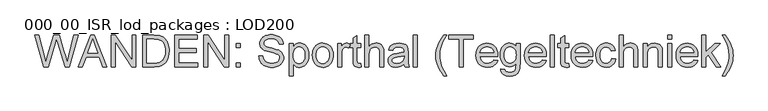
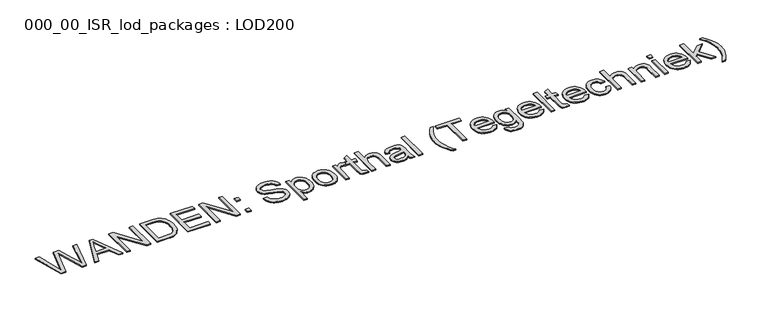
"""IFC4 building model written with IfcOpenShell, lengths in millimetres: proxy geometry, 000_00_ISR_lod_packages : LOD200."""

from ifc_helpers import new_model, si_unit, origin, origin_with_axes, place, context, project, spatial, polyline, outline, extrude, source, transform, mapped, element, save


def proxy_000_00_isr_lod_packages_lod200_2282efd7(model_context):
    return source(origin(), model_context, "Body", "SweptSolid", [
        extrude(outline(polyline([(725.9109848, 500.0), (512.2424242, 1283.5151515), (613.2424242, 1283.5151515), (737.1969697, 768.5681818), (775.4545455, 609.6079545), (816.3901515, 750.2045455), (971.7159091, 1283.5151515), (1117.2859848, 1283.5151515), (1230.1458333, 896.9223485), (1278.4938447, 753.4564394), (1314.1212121, 609.6079545), (1351.2310606, 763.9772727), (1476.3333333, 1283.5151515), (1577.3333333, 1283.5151515), (1363.4734848, 500.0), (1258.8390152, 500.0), (1070.9943182, 1104.469697), (1044.7878788, 1188.8276515), (1015.3295455, 1087.2537879), (844.1268939, 500.0), (725.9109848, 500.0)])), origin_with_axes(), (0.0, 0.0, 1.0), 25.0),
        extrude(outline(polyline([(1584.0284091, 500.0), (1896.7840909, 1283.5151515), (1980.1856061, 1283.5151515), (2292.9412879, 500.0), (2189.4545455, 500.0), (2099.7405303, 744.8484848), (1777.0378788, 744.8484848), (1687.5151515, 500.0), (1584.0284091, 500.0)]), holes=[polyline([(1813.0, 842.7878788), (2063.969697, 842.7878788), (1993.3844697, 1035.4147727), (1938.4848485, 1185.5757576), (1889.7064394, 1052.2481061), (1813.0, 842.7878788)])]), origin_with_axes(), (0.0, 0.0, 1.0), 25.0),
        extrude(outline(polyline([(2397.5757576, 500.0), (2397.5757576, 1283.5151515), (2502.4015152, 1283.5151515), (2911.7575758, 662.7859848), (2911.7575758, 1283.5151515), (3009.6969697, 1283.5151515), (3009.6969697, 500.0), (2904.8712121, 500.0), (2495.5151515, 1120.9204545), (2495.5151515, 500.0), (2397.5757576, 500.0)])), origin_with_axes(), (0.0, 0.0, 1.0), 25.0),
        extrude(outline(polyline([(3181.0909091, 500.0), (3181.0909091, 1283.5151515), (3451.3806818, 1283.5151515), (3532.1519886, 1280.6936553), (3591.2121212, 1272.2291667), (3623.6593277, 1262.9158381), (3653.6676136, 1250.4701705), (3681.2369792, 1234.8921638), (3706.3674242, 1216.1818182), (3735.4073153, 1188.1581439), (3760.5497159, 1156.5), (3781.7946259, 1121.2073864), (3799.1420455, 1082.280303), (3812.6158854, 1040.0774148), (3822.2400568, 994.9573864), (3828.0145597, 946.9202178), (3829.9393939, 895.9659091), (3824.7267992, 811.8709754), (3809.0890152, 737.8664773), (3785.2736742, 674.8610322), (3755.5284091, 623.7632576), (3721.2878788, 583.4254261), (3683.9867424, 552.6998106), (3641.1621686, 529.912642), (3590.3513258, 513.3901515), (3531.4585701, 503.3475379), (3464.3882576, 500.0), (3181.0909091, 500.0)]), holes=[polyline([(3279.030303, 597.9393939), (3452.3371212, 597.9393939), (3524.0222538, 601.4782197), (3578.3958333, 612.094697), (3619.4270833, 629.1671402), (3651.0852273, 652.0738636), (3669.1559541, 671.7107599), (3685.1105587, 694.4680398), (3698.9490412, 720.3457031), (3710.6714015, 749.34375), (3720.0026634, 781.5219579), (3726.6678504, 816.9401042), (3732.0, 897.4962121), (3729.3877249, 954.3565341), (3721.5508996, 1004.2348485), (3708.4895241, 1047.1311553), (3690.2035985, 1083.0454545), (3668.1756037, 1112.7907197), (3643.8880208, 1137.1799242), (3617.3408499, 1156.2130682), (3588.5340909, 1169.8901515), (3563.6427557, 1176.7526042), (3532.1998106, 1181.6543561), (3449.6590909, 1185.5757576), (3279.030303, 1185.5757576), (3279.030303, 597.9393939)])]), origin_with_axes(), (0.0, 0.0, 1.0), 25.0),
        extrude(outline(polyline([(3964.6060606, 500.0), (3964.6060606, 1283.5151515), (4527.7575758, 1283.5151515), (4527.7575758, 1185.5757576), (4062.5454545, 1185.5757576), (4062.5454545, 952.969697), (4503.2727273, 952.969697), (4503.2727273, 855.030303), (4062.5454545, 855.030303), (4062.5454545, 597.9393939), (4540.0, 597.9393939), (4540.0, 500.0), (3964.6060606, 500.0)])), origin_with_axes(), (0.0, 0.0, 1.0), 25.0),
        extrude(outline(polyline([(4686.9090909, 500.0), (4686.9090909, 1283.5151515), (4791.7348485, 1283.5151515), (5201.0909091, 662.7859848), (5201.0909091, 1283.5151515), (5299.030303, 1283.5151515), (5299.030303, 500.0), (5194.2045455, 500.0), (4784.8484848, 1120.9204545), (4784.8484848, 500.0), (4686.9090909, 500.0)])), origin_with_axes(), (0.0, 0.0, 1.0), 25.0),
        extrude(outline(polyline([(5482.6666667, 500.0), (5482.6666667, 597.9393939), (5580.6060606, 597.9393939), (5580.6060606, 500.0), (5482.6666667, 500.0)])), origin_with_axes(), (0.0, 0.0, 1.0), 25.0),
        extrude(outline(polyline([(5482.6666667, 977.4545455), (5482.6666667, 1075.3939394), (5580.6060606, 1075.3939394), (5580.6060606, 977.4545455), (5482.6666667, 977.4545455)])), origin_with_axes(), (0.0, 0.0, 1.0), 25.0),
        extrude(outline(polyline([(6045.8181818, 769.3333333), (6143.7575758, 769.3333333), (6154.9957386, 714.9836648), (6164.0221354, 691.8079427), (6175.3200758, 671.2982955), (6189.4634233, 653.0422585), (6207.0260417, 636.6273674), (6228.0079309, 622.0536222), (6252.4090909, 609.3210227), (6279.3328598, 598.9854995), (6307.8825758, 591.602983), (6369.8598485, 585.6969697), (6424.4247159, 590.1683239), (6472.1988636, 603.5823864), (6510.9107481, 624.8153409), (6526.0165128, 637.9424716), (6538.2888258, 652.7433712), (6554.5722064, 684.8080019), (6560.0, 718.4507576), (6555.9351326, 751.2327178), (6543.7405303, 779.5672348), (6533.4827178, 792.1384351), (6518.96875, 803.7412405), (6477.1723485, 824.0416667), (6425.4528883, 839.4164299), (6334.5672348, 861.438447), (6240.9557292, 886.1863163), (6181.0587121, 909.7386364), (6154.9060724, 925.340554), (6132.304214, 942.6879735), (6113.2531368, 961.7808949), (6097.7528409, 982.6193182), (6085.7435488, 1004.9880445), (6077.165483, 1028.671875), (6072.0186435, 1053.6708097), (6070.3030303, 1079.9848485), (6072.4251302, 1109.1502723), (6078.7914299, 1137.3473011), (6089.4019295, 1164.5759351), (6104.2566288, 1190.8361742), (6123.188151, 1215.0580019), (6146.0291193, 1236.1714015), (6172.7795336, 1254.1763731), (6203.4393939, 1269.0729167), (6236.9745502, 1280.747455), (6272.3508523, 1289.086411), (6309.5683002, 1294.0897846), (6348.6268939, 1295.7575758), (6391.2362689, 1294.0120739), (6431.2632576, 1288.7755682), (6468.7078598, 1280.0480587), (6503.5700758, 1267.8295455), (6535.2043087, 1252.2276278), (6562.9649621, 1233.3499053), (6586.852036, 1211.1963778), (6606.8655303, 1185.7670455), (6622.8500237, 1157.8031487), (6634.6500947, 1128.045928), (6642.2657434, 1096.4953835), (6645.6969697, 1063.1515152), (6547.7575758, 1063.1515152), (6541.2059659, 1094.4031723), (6529.7765152, 1121.5899621), (6513.4692235, 1144.7118845), (6492.2840909, 1163.7689394), (6465.8265862, 1178.665483), (6433.702178, 1189.3058712), (6395.9108665, 1195.6901042), (6352.4526515, 1197.8181818), (6307.6075994, 1195.7140152), (6269.2902462, 1189.4015152), (6237.5005919, 1178.8806818), (6212.2386364, 1164.1515152), (6192.9902936, 1146.4454309), (6179.2414773, 1126.9938447), (6170.9921875, 1105.7967566), (6168.2424242, 1082.8541667), (6170.1911695, 1063.1156487), (6176.0374053, 1045.2182765), (6185.7811316, 1029.1620502), (6199.4223485, 1014.9469697), (6220.8944129, 1001.4850852), (6254.7045455, 987.8797348), (6359.3390152, 960.2386364), (6467.3210227, 933.984375), (6532.6458333, 911.0776515), (6562.6720526, 894.3519176), (6588.477983, 875.545928), (6610.0636245, 854.6596828), (6627.4289773, 831.6931818), (6640.7772846, 806.7659801), (6650.3117898, 779.9976326), (6656.0324929, 751.3881392), (6657.9393939, 720.9375), (6655.7455611, 690.3015507), (6649.1640625, 660.5622633), (6638.1948982, 631.7196378), (6622.8380682, 603.7736742), (6603.362571, 577.8063447), (6580.0374053, 554.8996212), (6552.862571, 535.0535038), (6521.8380682, 518.2679924), (6487.8665365, 504.9196851), (6451.8506155, 495.3851799), (6413.7903054, 489.6644768), (6373.6856061, 487.7575758), (6323.5861151, 489.8139205), (6277.7308239, 495.9829545), (6236.1197325, 506.264678), (6198.7528409, 520.6590909), (6165.4029948, 539.1901042), (6135.8430398, 561.8816288), (6110.0729759, 588.7336648), (6088.092803, 619.7462121), (6070.3867188, 653.9150095), (6057.4389205, 690.2357955), (6049.2494081, 728.7085701), (6045.8181818, 769.3333333)])), origin_with_axes(), (0.0, 0.0, 1.0), 25.0),
        extrude(outline(polyline([(6792.6060606, 279.6363636), (6792.6060606, 1075.3939394), (6890.5454545, 1075.3939394), (6890.5454545, 979.3674242), (6922.4905303, 1026.7350852), (6958.2613636, 1060.5691288), (6978.1074811, 1072.411044), (6999.9621212, 1080.8695549), (7023.8252841, 1085.9446615), (7049.6969697, 1087.6363636), (7083.8538116, 1085.2691761), (7115.9303977, 1078.1676136), (7145.9267282, 1066.3316761), (7173.842803, 1049.7613636), (7199.068892, 1028.8870739), (7220.9952652, 1004.1392045), (7239.6219223, 975.5177557), (7254.9488636, 943.0227273), (7266.9163116, 907.7659801), (7275.4644886, 870.859375), (7280.5933949, 832.3029119), (7282.3030303, 792.0965909), (7280.3722183, 749.1106179), (7274.5797822, 708.336411), (7264.9257221, 669.7739702), (7251.4100379, 633.4232955), (7234.2180398, 600.2348485), (7213.5350379, 571.1590909), (7189.3610322, 546.1960227), (7161.6960227, 525.3456439), (7131.8969579, 508.9008641), (7101.320786, 497.1545928), (7069.9675071, 490.10683), (7037.8371212, 487.7575758), (7014.7211766, 489.329723), (6992.8127367, 494.0461648), (6972.1118016, 501.906901), (6952.6183712, 512.9119318), (6918.210464, 541.3899148), (6890.5454545, 576.5151515), (6890.5454545, 279.6363636), (6792.6060606, 279.6363636)]), holes=[polyline([(6890.5454545, 783.1060606), (6893.1935961, 735.9057765), (6901.1380208, 695.3049242), (6914.3787287, 661.3035038), (6932.9157197, 633.9015152), (6955.2306463, 612.8120265), (6979.805161, 597.7481061), (7006.6392637, 588.7097538), (7035.7329545, 585.6969697), (7065.2450876, 588.8173532), (7092.5693655, 598.1785038), (7117.7057884, 613.7804214), (7140.6543561, 635.6231061), (7159.7771662, 664.0174006), (7173.4363163, 699.2741477), (7181.6318063, 741.3933475), (7184.3636364, 790.375), (7181.6975616, 837.1687973), (7173.6993371, 877.6979167), (7160.3689631, 911.962358), (7141.7064394, 939.9621212), (7119.3377131, 961.7211174), (7094.8887311, 977.2632576), (7068.3594934, 986.5885417), (7039.75, 989.6969697), (7011.2301728, 986.391276), (6984.3960701, 976.4741951), (6959.2476918, 959.9457268), (6935.7850379, 936.8058712), (6915.9927202, 907.3654711), (6901.8553504, 871.9353693), (6893.3729285, 830.5155658), (6890.5454545, 783.1060606)])]), origin_with_axes(), (0.0, 0.0, 1.0), 25.0),
        extrude(outline(polyline([(7368.0, 787.6969697), (7373.2962831, 862.215554), (7379.9166371, 895.6102332), (7389.1851326, 926.4285038), (7401.1017696, 954.6703658), (7415.6665483, 980.3358191), (7432.8794685, 1003.4248639), (7452.7405303, 1023.9375), (7490.0655777, 1051.8057528), (7531.2642045, 1071.7116477), (7576.336411, 1083.6551847), (7625.282197, 1087.6363636), (7679.315045, 1082.7884115), (7728.1711648, 1068.2445549), (7771.8505563, 1044.004794), (7810.3532197, 1010.0691288), (7841.7782315, 967.5852865), (7864.2246686, 917.7009943), (7877.6925308, 860.4162524), (7882.1818182, 795.7310606), (7880.1972064, 743.3062263), (7874.2433712, 696.7874053), (7864.3203125, 656.1745975), (7850.4280303, 621.467803), (7832.7398793, 591.4894058), (7811.429214, 565.0617898), (7786.4960346, 542.184955), (7757.9403409, 522.8589015), (7726.8739938, 507.5020715), (7694.4088542, 496.5329072), (7660.5449219, 489.9514086), (7625.282197, 487.7575758), (7570.4602865, 492.5875947), (7521.149858, 507.0776515), (7477.3509115, 531.2277462), (7439.063447, 565.0378788), (7407.9731889, 607.9341856), (7385.7658617, 659.342803), (7372.4414654, 719.2637311), (7368.0, 787.6969697)]), holes=[polyline([(7465.9393939, 787.8882576), (7468.7728456, 740.3831084), (7477.2732008, 699.2502367), (7491.4404593, 664.4896425), (7511.2746212, 636.1013258), (7535.4008049, 614.04942), (7562.4441288, 598.2980587), (7592.4045928, 588.847242), (7625.282197, 585.6969697), (7657.9924242, 588.8651752), (7687.8333333, 598.3697917), (7714.8049242, 614.2108191), (7738.907197, 636.3882576), (7758.7413589, 665.0575284), (7772.9086174, 700.374053), (7781.4089725, 742.3378314), (7784.2424242, 790.9488636), (7781.3910393, 836.9476207), (7772.8368845, 877.0044981), (7758.5799598, 911.1194957), (7738.6202652, 939.2926136), (7714.4283262, 961.3445194), (7687.4746686, 977.0958807), (7657.7592921, 986.5466974), (7625.282197, 989.6969697), (7592.4045928, 986.5586529), (7562.4441288, 977.1437027), (7535.4008049, 961.4521188), (7511.2746212, 939.4839015), (7491.4404593, 911.1792732), (7477.2732008, 876.4784564), (7468.7728456, 835.3814512), (7465.9393939, 787.8882576)])]), origin_with_axes(), (0.0, 0.0, 1.0), 25.0),
        extrude(outline(polyline([(7992.3636364, 500.0), (7992.3636364, 1075.3939394), (8078.0606061, 1075.3939394), (8078.0606061, 990.2708333), (8109.71875, 1039.6231061), (8138.8901515, 1068.6988636), (8168.157197, 1082.9019886), (8200.1022727, 1087.6363636), (8224.3958333, 1085.7473958), (8248.8806818, 1080.0804924), (8273.5568182, 1070.6356534), (8298.4242424, 1057.4128788), (8265.7140152, 969.6117424), (8231.282197, 984.6756629), (8196.8503788, 989.6969697), (8167.6072443, 984.8669508), (8141.4725379, 970.3768939), (8120.3591383, 947.3267045), (8106.1799242, 916.8162879), (8094.2722538, 862.1079545), (8090.3030303, 802.4261364), (8090.3030303, 500.0), (7992.3636364, 500.0)])), origin_with_axes(), (0.0, 0.0, 1.0), 25.0),
        extrude(outline(polyline([(8567.7575758, 581.6799242), (8580.0, 497.1306818), (8541.2163826, 490.1008523), (8506.7367424, 487.7575758), (8459.7277462, 491.8224432), (8424.6742424, 504.0170455), (8399.9024621, 522.8110795), (8383.7386364, 546.6742424), (8374.84375, 587.6576705), (8371.8787879, 657.8125), (8371.8787879, 977.4545455), (8298.4242424, 977.4545455), (8298.4242424, 1075.3939394), (8371.8787879, 1075.3939394), (8371.8787879, 1215.2253788), (8469.8181818, 1272.8030303), (8469.8181818, 1075.3939394), (8567.7575758, 1075.3939394), (8567.7575758, 977.4545455), (8469.8181818, 977.4545455), (8469.8181818, 660.6818182), (8471.109375, 628.4498106), (8474.9829545, 610.1818182), (8481.7497633, 600.0674716), (8491.7206439, 592.2964015), (8505.852036, 587.3468277), (8525.1003788, 585.6969697), (8567.7575758, 581.6799242)])), origin_with_axes(), (0.0, 0.0, 1.0), 25.0),
        extrude(outline(polyline([(8665.6969697, 500.0), (8665.6969697, 1283.5151515), (8763.6363636, 1283.5151515), (8763.6363636, 995.4356061), (8799.6104403, 1035.7734375), (8840.0080492, 1064.5861742), (8884.8291903, 1081.8738163), (8934.0738636, 1087.6363636), (8964.6918797, 1086.0642164), (8993.2296402, 1081.3477746), (9019.6871449, 1073.4870384), (9044.0643939, 1062.4820076), (9065.7397017, 1048.7033026), (9084.0913826, 1032.5215436), (9099.1194366, 1013.9367306), (9110.8238636, 992.9488636), (9119.6111506, 968.2607718), (9125.8877841, 938.5752841), (9130.9090909, 864.2121212), (9130.9090909, 500.0), (9032.969697, 500.0), (9032.969697, 854.0738636), (9031.0209517, 887.1427557), (9025.1747159, 915.3816288), (9015.4309896, 938.790483), (9001.7897727, 957.3693182), (8984.5738636, 971.5126657), (8964.1060606, 981.6150568), (8940.3863636, 987.6764915), (8913.4147727, 989.6969697), (8872.024858, 984.2452652), (8833.1695076, 967.8901515), (8815.7264441, 956.0183475), (8800.985322, 942.2097538), (8788.9461411, 926.4643703), (8779.6089015, 908.782197), (8767.6294981, 864.3555871), (8763.6363636, 805.6780303), (8763.6363636, 500.0), (8665.6969697, 500.0)])), origin_with_axes(), (0.0, 0.0, 1.0), 25.0),
        extrude(outline(polyline([(9632.8484848, 573.4545455), (9586.0546875, 533.3319129), (9562.1377249, 518.4712358), (9537.874053, 507.0776515), (9487.2066761, 492.5875947), (9432.9526515, 487.7575758), (9389.3449929, 490.6627604), (9351.1053504, 499.3783144), (9318.233724, 513.9042377), (9290.7301136, 534.2405303), (9269.0129616, 559.0959991), (9253.5007102, 587.1794508), (9244.1933594, 618.4908854), (9241.0909091, 653.030303), (9245.7774621, 693.6311553), (9259.8371212, 730.5018939), (9281.5243845, 762.0643939), (9309.09375, 786.7405303), (9341.4931345, 805.3910985), (9377.6704545, 818.8768939), (9462.4109848, 833.6060606), (9562.5501894, 849.1003788), (9632.2746212, 867.2727273), (9632.8484848, 889.0795455), (9631.1627604, 912.8231534), (9626.1055871, 932.7888258), (9617.676965, 948.9765625), (9605.8768939, 961.3863636), (9585.4808239, 973.7722538), (9560.6373106, 982.6193182), (9531.3463542, 987.9275568), (9497.6079545, 989.6969697), (9439.2651515, 984.9865057), (9416.6931818, 979.0984257), (9398.5208333, 970.8551136), (9383.5884233, 959.610973), (9370.7362689, 944.7204072), (9359.9643703, 926.1834162), (9351.2727273, 904.0), (9253.3333333, 916.2424242), (9270.3340436, 969.8030303), (9281.9727154, 992.2793561), (9295.7035985, 1011.8863636), (9312.1184896, 1029.0185843), (9331.8091856, 1044.0705492), (9354.7756866, 1057.0422585), (9381.0179924, 1067.9337121), (9441.2019413, 1082.7107008), (9510.2329545, 1087.6363636), (9576.4424716, 1083.2845644), (9628.9270833, 1070.2291667), (9668.4997633, 1050.5982481), (9695.9734848, 1026.5198864), (9714.1936553, 996.7507102), (9726.0056818, 960.0473485), (9729.5923295, 926.1893939), (9730.7878788, 874.3503788), (9730.7878788, 752.5), (9732.03125, 646.3591383), (9735.7613636, 582.3494318), (9743.125947, 540.2900095), (9755.2727273, 500.0), (9657.3333333, 500.0), (9641.6477273, 534.0492424), (9632.8484848, 573.4545455)]), holes=[polyline([(9632.8484848, 769.3333333), (9567.0454545, 753.0260417), (9474.844697, 739.3011364), (9424.0338542, 731.7930871), (9390.5823864, 723.4242424), (9368.6560133, 712.5686553), (9352.4204545, 697.6003788), (9342.3778409, 679.6671402), (9339.030303, 659.9166667), (9340.8535156, 644.6973248), (9346.3231534, 630.7930871), (9355.4392164, 618.2039536), (9368.2017045, 606.9299242), (9384.491063, 597.6405066), (9404.1877367, 591.0052083), (9453.8030303, 585.6969697), (9506.407197, 591.555161), (9530.4138258, 598.8779001), (9552.8901515, 609.1297348), (9590.5738636, 635.0253314), (9616.780303, 665.8465909), (9628.4010417, 697.6003788), (9632.2746212, 741.5965909), (9632.8484848, 769.3333333)])]), origin_with_axes(), (0.0, 0.0, 1.0), 25.0),
        extrude(outline(polyline([(9865.4545455, 500.0), (9865.4545455, 1283.5151515), (9963.3939394, 1283.5151515), (9963.3939394, 500.0), (9865.4545455, 500.0)])), origin_with_axes(), (0.0, 0.0, 1.0), 25.0),
        extrude(outline(polyline([(10612.2424242, 279.6363636), (10572.7056108, 330.7939157), (10536.3489583, 386.1358902), (10503.1724669, 445.6622869), (10473.1761364, 509.3731061), (10448.3206676, 575.773911), (10430.5667614, 643.3702652), (10419.9144176, 712.1621686), (10416.3636364, 782.1496212), (10419.0177557, 843.6606297), (10426.9801136, 903.8565341), (10440.2507102, 962.7373343), (10458.8295455, 1020.3030303), (10487.0684186, 1086.3212595), (10522.0501894, 1152.1960227), (10563.774858, 1217.9273201), (10612.2424242, 1283.5151515), (10685.6969697, 1283.5151515), (10628.0714962, 1190.4057765), (10594.0700758, 1128.3806818), (10562.7945076, 1054.7348485), (10538.9791667, 978.0284091), (10520.4720644, 880.0411932), (10514.3030303, 781.5757576), (10516.9810606, 718.7914891), (10525.0151515, 656.0191761), (10538.405303, 593.2588187), (10557.1515152, 530.5104167), (10581.2537879, 467.7739702), (10610.7121212, 405.0494792), (10645.5265152, 342.3369437), (10685.6969697, 279.6363636), (10612.2424242, 279.6363636)])), origin_with_axes(), (0.0, 0.0, 1.0), 25.0),
        extrude(outline(polyline([(10991.7575758, 500.0), (10991.7575758, 1185.5757576), (10734.6666667, 1185.5757576), (10734.6666667, 1283.5151515), (11346.7878788, 1283.5151515), (11346.7878788, 1185.5757576), (11089.6969697, 1185.5757576), (11089.6969697, 500.0), (10991.7575758, 500.0)])), origin_with_axes(), (0.0, 0.0, 1.0), 25.0),
        extrude(outline(polyline([(11847.5795455, 671.3939394), (11943.6060606, 659.1515152), (11928.8828717, 620.690696), (11909.0068655, 586.796875), (11883.9780421, 557.4700521), (11853.7964015, 532.7102273), (11818.7727865, 513.0434422), (11779.2180398, 498.9957386), (11735.1321615, 490.5671165), (11686.5151515, 487.7575758), (11625.7453835, 492.6055279), (11571.5989583, 507.1493845), (11524.0758759, 531.3891454), (11483.1761364, 565.3248106), (11450.2865767, 608.0118963), (11426.7940341, 658.5059186), (11412.6985085, 716.8068774), (11408.0, 782.9147727), (11412.7463305, 851.2643229), (11426.985322, 911.5080492), (11450.7169744, 963.6459517), (11483.9412879, 1007.6780303), (11524.733428, 1042.6598011), (11571.1685606, 1067.6467803), (11623.2466856, 1082.6389678), (11680.967803, 1087.6363636), (11736.8298414, 1082.6509233), (11787.3477746, 1067.6946023), (11832.5216027, 1042.7674006), (11872.3513258, 1007.8693182), (11904.8642874, 963.9328835), (11928.0878314, 911.890625), (11942.0219579, 851.7425426), (11946.6666667, 783.4886364), (11946.092803, 757.0909091), (11505.9393939, 757.0909091), (11511.6122751, 718.0084044), (11522.8922822, 683.7798295), (11539.7794152, 654.4051847), (11562.2736742, 629.8844697), (11589.131688, 610.5524384), (11619.1100852, 596.7438447), (11652.208866, 588.4586884), (11688.4280303, 585.6969697), (11740.5539773, 590.8139205), (11784.4545455, 606.1647727), (11803.3203125, 617.9170218), (11820.1297348, 632.7059659), (11834.8828125, 650.5316051), (11847.5795455, 671.3939394)]), holes=[polyline([(11505.9393939, 855.030303), (11848.7272727, 855.030303), (11843.6940104, 882.7431345), (11835.4805871, 906.7736742), (11824.0870028, 927.1219223), (11809.5132576, 943.7878788), (11782.8046875, 963.8731061), (11752.4138258, 978.219697), (11718.3406723, 986.8276515), (11680.5852273, 989.6969697), (11646.1474313, 987.4074929), (11614.5669981, 980.5390625), (11585.8439276, 969.0916785), (11559.9782197, 953.0653409), (11538.2730232, 933.2012902), (11522.0314867, 910.240767), (11511.2536103, 884.1837713), (11505.9393939, 855.030303)])]), origin_with_axes(), (0.0, 0.0, 1.0), 25.0),
        extrude(outline(polyline([(12020.1212121, 451.030303), (12118.0606061, 438.7878788), (12122.1972064, 422.2892992), (12128.8683712, 408.1818182), (12138.0741004, 396.4654356), (12149.8143939, 387.1401515), (12168.8116714, 377.5996686), (12190.9891098, 370.7850379), (12244.8844697, 365.3333333), (12275.4666193, 366.8755919), (12302.3664773, 371.5023674), (12325.5840436, 379.21366), (12345.1193182, 390.0094697), (12361.3787879, 403.5909091), (12374.7689394, 419.6590909), (12385.2897727, 438.2140152), (12392.9412879, 459.2556818), (12398.2495265, 501.3868371), (12399.6363636, 573.4545455), (12367.0456913, 541.3181818), (12330.6770833, 518.3636364), (12290.5305398, 504.5909091), (12246.6060606, 500.0), (12192.9079664, 505.3441051), (12145.6299716, 521.3764205), (12104.7720762, 548.096946), (12070.3342803, 585.5056818), (12043.0100024, 630.3866004), (12023.492661, 679.5236742), (12011.7822562, 732.9169034), (12007.8787879, 790.5662879), (12009.6302675, 830.8981416), (12014.8847064, 869.6399148), (12023.6421046, 906.7916075), (12035.9024621, 942.3532197), (12051.4804688, 975.1411577), (12070.1908144, 1003.9718277), (12092.0334991, 1028.8452296), (12117.0085227, 1049.7613636), (12144.7153764, 1066.3316761), (12174.7535511, 1078.1676136), (12207.1230469, 1085.2691761), (12241.8238636, 1087.6363636), (12287.6253551, 1082.280303), (12329.1946023, 1066.2121212), (12366.5316051, 1039.4318182), (12399.6363636, 1001.9393939), (12399.6363636, 1075.3939394), (12497.5757576, 1075.3939394), (12497.5757576, 578.6193182), (12495.9019886, 516.3730469), (12490.8806818, 463.9183239), (12482.5118371, 421.2551491), (12470.7954545, 388.3835227), (12455.45058, 361.8722183), (12436.1962595, 338.2900095), (12413.0324929, 317.6368963), (12385.9592803, 299.9128788), (12355.251598, 285.6858428), (12321.1844223, 275.5236742), (12283.7577533, 269.4263731), (12242.9715909, 267.3939394), (12194.9882221, 270.2572798), (12151.8468277, 278.8473011), (12113.5474077, 293.1640033), (12080.0899621, 313.2073864), (12053.0645715, 339.0013613), (12034.0613163, 370.569839), (12023.0801965, 407.9128196), (12020.1212121, 451.030303)]), holes=[polyline([(12105.8181818, 797.2613636), (12108.4304569, 748.8356416), (12116.2672822, 707.4277936), (12129.3286577, 673.0378196), (12147.6145833, 645.6657197), (12169.8458215, 624.7854522), (12194.7431345, 609.8709754), (12222.3065223, 600.9222893), (12252.5359848, 597.9393939), (12282.4665601, 600.9043561), (12309.8984375, 609.7992424), (12334.831617, 624.624053), (12357.2660985, 645.3787879), (12375.8030895, 672.4818892), (12389.0437973, 706.3517992), (12396.9882221, 746.988518), (12399.6363636, 794.3920455), (12396.9105114, 839.8169389), (12388.7329545, 879.2999527), (12375.1036932, 912.8410866), (12356.0227273, 940.4403409), (12333.1040483, 961.990116), (12307.9616477, 977.3828125), (12280.5955256, 986.6184304), (12251.0056818, 989.6969697), (12221.911991, 986.6662524), (12195.0778883, 977.5741004), (12170.5033736, 962.4205137), (12148.188447, 941.2054924), (12129.651456, 914.0246804), (12116.4107481, 880.9737216), (12108.4663234, 842.052616), (12105.8181818, 797.2613636)])]), origin_with_axes(), (0.0, 0.0, 1.0), 25.0),
        extrude(outline(polyline([(13047.3371212, 671.3939394), (13143.3636364, 659.1515152), (13128.6404474, 620.690696), (13108.7644413, 586.796875), (13083.7356179, 557.4700521), (13053.5539773, 532.7102273), (13018.5303622, 513.0434422), (12978.9756155, 498.9957386), (12934.8897372, 490.5671165), (12886.2727273, 487.7575758), (12825.5029593, 492.6055279), (12771.3565341, 507.1493845), (12723.8334517, 531.3891454), (12682.9337121, 565.3248106), (12650.0441525, 608.0118963), (12626.5516098, 658.5059186), (12612.4560843, 716.8068774), (12607.7575758, 782.9147727), (12612.5039063, 851.2643229), (12626.7428977, 911.5080492), (12650.4745502, 963.6459517), (12683.6988636, 1007.6780303), (12724.4910038, 1042.6598011), (12770.9261364, 1067.6467803), (12823.0042614, 1082.6389678), (12880.7253788, 1087.6363636), (12936.5874171, 1082.6509233), (12987.1053504, 1067.6946023), (13032.2791785, 1042.7674006), (13072.1089015, 1007.8693182), (13104.6218632, 963.9328835), (13127.8454072, 911.890625), (13141.7795336, 851.7425426), (13146.4242424, 783.4886364), (13145.8503788, 757.0909091), (12705.6969697, 757.0909091), (12711.3698509, 718.0084044), (12722.649858, 683.7798295), (12739.536991, 654.4051847), (12762.03125, 629.8844697), (12788.8892637, 610.5524384), (12818.867661, 596.7438447), (12851.9664418, 588.4586884), (12888.1856061, 585.6969697), (12940.311553, 590.8139205), (12984.2121212, 606.1647727), (13003.0778883, 617.9170218), (13019.8873106, 632.7059659), (13034.6403883, 650.5316051), (13047.3371212, 671.3939394)]), holes=[polyline([(12705.6969697, 855.030303), (13048.4848485, 855.030303), (13043.4515862, 882.7431345), (13035.2381629, 906.7736742), (13023.8445786, 927.1219223), (13009.2708333, 943.7878788), (12982.5622633, 963.8731061), (12952.1714015, 978.219697), (12918.0982481, 986.8276515), (12880.342803, 989.6969697), (12845.9050071, 987.4074929), (12814.3245739, 980.5390625), (12785.6015033, 969.0916785), (12759.7357955, 953.0653409), (12738.030599, 933.2012902), (12721.7890625, 910.240767), (12711.0111861, 884.1837713), (12705.6969697, 855.030303)])]), origin_with_axes(), (0.0, 0.0, 1.0), 25.0),
        extrude(outline(polyline([(13244.3636364, 500.0), (13244.3636364, 1283.5151515), (13342.3030303, 1283.5151515), (13342.3030303, 500.0), (13244.3636364, 500.0)])), origin_with_axes(), (0.0, 0.0, 1.0), 25.0),
        extrude(outline(polyline([(13697.3333333, 581.6799242), (13709.5757576, 497.1306818), (13670.7921402, 490.1008523), (13636.3125, 487.7575758), (13589.3035038, 491.8224432), (13554.25, 504.0170455), (13529.4782197, 522.8110795), (13513.3143939, 546.6742424), (13504.4195076, 587.6576705), (13501.4545455, 657.8125), (13501.4545455, 977.4545455), (13428.0, 977.4545455), (13428.0, 1075.3939394), (13501.4545455, 1075.3939394), (13501.4545455, 1215.2253788), (13599.3939394, 1272.8030303), (13599.3939394, 1075.3939394), (13697.3333333, 1075.3939394), (13697.3333333, 977.4545455), (13599.3939394, 977.4545455), (13599.3939394, 660.6818182), (13600.6851326, 628.4498106), (13604.5587121, 610.1818182), (13611.3255208, 600.0674716), (13621.2964015, 592.2964015), (13635.4277936, 587.3468277), (13654.6761364, 585.6969697), (13697.3333333, 581.6799242)])), origin_with_axes(), (0.0, 0.0, 1.0), 25.0),
        extrude(outline(polyline([(14198.125, 671.3939394), (14294.1515152, 659.1515152), (14279.4283262, 620.690696), (14259.5523201, 586.796875), (14234.5234967, 557.4700521), (14204.3418561, 532.7102273), (14169.318241, 513.0434422), (14129.7634943, 498.9957386), (14085.677616, 490.5671165), (14037.0606061, 487.7575758), (13976.2908381, 492.6055279), (13922.1444129, 507.1493845), (13874.6213305, 531.3891454), (13833.7215909, 565.3248106), (13800.8320313, 608.0118963), (13777.3394886, 658.5059186), (13763.2439631, 716.8068774), (13758.5454545, 782.9147727), (13763.291785, 851.2643229), (13777.5307765, 911.5080492), (13801.262429, 963.6459517), (13834.4867424, 1007.6780303), (13875.2788826, 1042.6598011), (13921.7140152, 1067.6467803), (13973.7921402, 1082.6389678), (14031.5132576, 1087.6363636), (14087.3752959, 1082.6509233), (14137.8932292, 1067.6946023), (14183.0670573, 1042.7674006), (14222.8967803, 1007.8693182), (14255.409742, 963.9328835), (14278.633286, 911.890625), (14292.5674124, 851.7425426), (14297.2121212, 783.4886364), (14296.6382576, 757.0909091), (13856.4848485, 757.0909091), (13862.1577296, 718.0084044), (13873.4377367, 683.7798295), (13890.3248698, 654.4051847), (13912.8191288, 629.8844697), (13939.6771425, 610.5524384), (13969.6555398, 596.7438447), (14002.7543205, 588.4586884), (14038.9734848, 585.6969697), (14091.0994318, 590.8139205), (14135.0, 606.1647727), (14153.865767, 617.9170218), (14170.6751894, 632.7059659), (14185.428267, 650.5316051), (14198.125, 671.3939394)]), holes=[polyline([(13856.4848485, 855.030303), (14199.2727273, 855.030303), (14194.239465, 882.7431345), (14186.0260417, 906.7736742), (14174.6324574, 927.1219223), (14160.0587121, 943.7878788), (14133.350142, 963.8731061), (14102.9592803, 978.219697), (14068.8861269, 986.8276515), (14031.1306818, 989.6969697), (13996.6928859, 987.4074929), (13965.1124527, 980.5390625), (13936.3893821, 969.0916785), (13910.5236742, 953.0653409), (13888.8184777, 933.2012902), (13872.5769413, 910.240767), (13861.7990649, 884.1837713), (13856.4848485, 855.030303)])]), origin_with_axes(), (0.0, 0.0, 1.0), 25.0),
        extrude(outline(polyline([(14762.4242424, 708.1212121), (14860.3636364, 695.8787879), (14849.7112926, 649.6648319), (14833.0572917, 608.7710701), (14810.4016335, 573.1975024), (14781.7443182, 542.9441288), (14748.2928504, 518.8000118), (14711.2547348, 501.554214), (14670.6299716, 491.2067353), (14626.4185606, 487.7575758), (14571.4890507, 492.5696615), (14522.2383996, 507.0059186), (14478.6666075, 531.0663471), (14440.7736742, 564.750947), (14410.1018584, 607.4260772), (14388.1934186, 658.4580966), (14375.0483546, 717.8470052), (14370.6666667, 785.592803), (14372.5377012, 830.6231652), (14378.1508049, 872.7483428), (14387.5059777, 911.9683357), (14400.6032197, 948.2831439), (14417.532197, 980.9634825), (14438.3825758, 1009.2800663), (14463.1543561, 1033.2328954), (14491.8475379, 1052.8219697), (14523.1649503, 1068.053267), (14555.8094223, 1078.9327652), (14589.7809541, 1085.460464), (14625.0795455, 1087.6363636), (14668.5317827, 1084.6474905), (14707.835464, 1075.6808712), (14742.9905895, 1060.7365057), (14773.9971591, 1039.8143939), (14800.3291312, 1013.3927557), (14821.460464, 981.9498106), (14837.3911577, 945.4855587), (14848.1212121, 904.0), (14750.1818182, 891.7575758), (14742.5362808, 914.6344105), (14732.4159564, 934.4865057), (14719.8208452, 951.3138613), (14704.750947, 965.1164773), (14687.5888376, 975.8704427), (14668.7170928, 983.5518466), (14648.1357126, 988.1606889), (14625.844697, 989.6969697), (14592.5665838, 986.6722301), (14562.5523201, 977.5980114), (14535.8019058, 962.4743134), (14512.3153409, 941.3011364), (14493.1925308, 913.5883049), (14479.5333807, 878.8456439), (14471.3378906, 837.0731534), (14468.6060606, 788.2708333), (14471.2781132, 738.7332505), (14479.2942708, 696.4765625), (14492.6545336, 661.5007694), (14511.3589015, 633.8058712), (14534.3792022, 612.7582268), (14560.6872633, 597.7241951), (14590.2830848, 588.703776), (14623.1666667, 585.6969697), (14649.6660156, 587.573982), (14673.8818655, 593.2050189), (14695.8142164, 602.5900805), (14715.4630682, 615.7291667), (14732.2784683, 632.7657434), (14745.710464, 653.8432765), (14755.7590554, 678.9617661), (14762.4242424, 708.1212121)])), origin_with_axes(), (0.0, 0.0, 1.0), 25.0),
        extrude(outline(polyline([(14946.0606061, 500.0), (14946.0606061, 1283.5151515), (15044.0, 1283.5151515), (15044.0, 995.4356061), (15079.9740767, 1035.7734375), (15120.3716856, 1064.5861742), (15165.1928267, 1081.8738163), (15214.4375, 1087.6363636), (15245.0555161, 1086.0642164), (15273.5932765, 1081.3477746), (15300.0507813, 1073.4870384), (15324.4280303, 1062.4820076), (15346.1033381, 1048.7033026), (15364.4550189, 1032.5215436), (15379.4830729, 1013.9367306), (15391.1875, 992.9488636), (15399.9747869, 968.2607718), (15406.2514205, 938.5752841), (15411.2727273, 864.2121212), (15411.2727273, 500.0), (15313.3333333, 500.0), (15313.3333333, 854.0738636), (15311.3845881, 887.1427557), (15305.5383523, 915.3816288), (15295.7946259, 938.790483), (15282.1534091, 957.3693182), (15264.9375, 971.5126657), (15244.469697, 981.6150568), (15220.75, 987.6764915), (15193.7784091, 989.6969697), (15152.3884943, 984.2452652), (15113.5331439, 967.8901515), (15096.0900805, 956.0183475), (15081.3489583, 942.2097538), (15069.3097775, 926.4643703), (15059.9725379, 908.782197), (15047.9931345, 864.3555871), (15044.0, 805.6780303), (15044.0, 500.0), (14946.0606061, 500.0)])), origin_with_axes(), (0.0, 0.0, 1.0), 25.0),
        extrude(outline(polyline([(15545.9393939, 500.0), (15545.9393939, 1075.3939394), (15643.8787879, 1075.3939394), (15643.8787879, 995.0530303), (15677.9041193, 1035.5582386), (15697.4812382, 1051.4709991), (15718.7679924, 1064.4905303), (15741.7643821, 1074.6168324), (15766.4704072, 1081.8499053), (15821.0113636, 1087.6363636), (15869.287642, 1082.9737216), (15913.499053, 1068.9857955), (15950.3697917, 1047.4180871), (15976.624053, 1020.0160985), (15994.4377367, 986.8515625), (16005.9867424, 947.9962121), (16009.860322, 910.8385417), (16011.1515152, 853.3087121), (16011.1515152, 500.0), (15913.2121212, 500.0), (15913.2121212, 840.1098485), (15910.390625, 890.7533144), (15901.9261364, 926.7632576), (15886.3122633, 952.5632102), (15862.0426136, 972.5767045), (15830.9344223, 985.4169034), (15794.8049242, 989.6969697), (15765.0656368, 987.2939157), (15737.4424716, 980.0847538), (15711.9354285, 968.0694839), (15688.5445076, 951.2481061), (15669.0032552, 927.7077415), (15655.0452178, 895.5355114), (15646.6703954, 854.7314157), (15643.8787879, 805.2954545), (15643.8787879, 500.0), (15545.9393939, 500.0)])), origin_with_axes(), (0.0, 0.0, 1.0), 25.0),
        extrude(outline(polyline([(16145.8181818, 500.0), (16145.8181818, 1075.3939394), (16243.7575758, 1075.3939394), (16243.7575758, 500.0), (16145.8181818, 500.0)])), origin_with_axes(), (0.0, 0.0, 1.0), 25.0),
        extrude(outline(polyline([(16145.8181818, 1185.5757576), (16145.8181818, 1283.5151515), (16243.7575758, 1283.5151515), (16243.7575758, 1185.5757576), (16145.8181818, 1185.5757576)])), origin_with_axes(), (0.0, 0.0, 1.0), 25.0),
        extrude(outline(polyline([(16793.5189394, 671.3939394), (16889.5454545, 659.1515152), (16874.8222656, 620.690696), (16854.9462595, 586.796875), (16829.9174361, 557.4700521), (16799.7357955, 532.7102273), (16764.7121804, 513.0434422), (16725.1574337, 498.9957386), (16681.0715554, 490.5671165), (16632.4545455, 487.7575758), (16571.6847775, 492.6055279), (16517.5383523, 507.1493845), (16470.0152699, 531.3891454), (16429.1155303, 565.3248106), (16396.2259706, 608.0118963), (16372.733428, 658.5059186), (16358.6379025, 716.8068774), (16353.9393939, 782.9147727), (16358.6857244, 851.2643229), (16372.9247159, 911.5080492), (16396.6563684, 963.6459517), (16429.8806818, 1007.6780303), (16470.672822, 1042.6598011), (16517.1079545, 1067.6467803), (16569.1860795, 1082.6389678), (16626.907197, 1087.6363636), (16682.7692353, 1082.6509233), (16733.2871686, 1067.6946023), (16778.4609967, 1042.7674006), (16818.2907197, 1007.8693182), (16850.8036813, 963.9328835), (16874.0272254, 911.890625), (16887.9613518, 851.7425426), (16892.6060606, 783.4886364), (16892.032197, 757.0909091), (16451.8787879, 757.0909091), (16457.551669, 718.0084044), (16468.8316761, 683.7798295), (16485.7188092, 654.4051847), (16508.2130682, 629.8844697), (16535.0710819, 610.5524384), (16565.0494792, 596.7438447), (16598.1482599, 588.4586884), (16634.3674242, 585.6969697), (16686.4933712, 590.8139205), (16730.3939394, 606.1647727), (16749.2597064, 617.9170218), (16766.0691288, 632.7059659), (16780.8222064, 650.5316051), (16793.5189394, 671.3939394)]), holes=[polyline([(16451.8787879, 855.030303), (16794.6666667, 855.030303), (16789.6334044, 882.7431345), (16781.4199811, 906.7736742), (16770.0263968, 927.1219223), (16755.4526515, 943.7878788), (16728.7440814, 963.8731061), (16698.3532197, 978.219697), (16664.2800663, 986.8276515), (16626.5246212, 989.6969697), (16592.0868253, 987.4074929), (16560.506392, 980.5390625), (16531.7833215, 969.0916785), (16505.9176136, 953.0653409), (16484.2124171, 933.2012902), (16467.9708807, 910.240767), (16457.1930043, 884.1837713), (16451.8787879, 855.030303)])]), origin_with_axes(), (0.0, 0.0, 1.0), 25.0),
        extrude(outline(polyline([(16990.5454545, 500.0), (16990.5454545, 1283.5151515), (17088.4848485, 1283.5151515), (17088.4848485, 862.4905303), (17308.0833333, 1075.3939394), (17443.5151515, 1075.3939394), (17221.2386364, 859.8125), (17455.7575758, 500.0), (17341.3674242, 500.0), (17151.0359848, 791.7140152), (17088.4848485, 731.0757576), (17088.4848485, 500.0), (16990.5454545, 500.0)])), origin_with_axes(), (0.0, 0.0, 1.0), 25.0),
        extrude(outline(polyline([(17565.9393939, 279.6363636), (17492.4848485, 279.6363636), (17532.655303, 342.3369437), (17567.469697, 405.0494792), (17596.9280303, 467.7739702), (17621.030303, 530.5104167), (17639.7765152, 593.2588187), (17653.1666667, 656.0191761), (17661.2007576, 718.7914891), (17663.8787879, 781.5757576), (17657.7097538, 879.3238636), (17639.2026515, 976.3068182), (17615.8177083, 1053.1567235), (17584.6856061, 1126.8503788), (17550.5407197, 1189.5449811), (17492.4848485, 1283.5151515), (17565.9393939, 1283.5151515), (17614.4069602, 1217.9273201), (17656.1316288, 1152.1960227), (17691.1133996, 1086.3212595), (17719.3522727, 1020.3030303), (17737.931108, 962.7373343), (17751.2017045, 903.8565341), (17759.1640625, 843.6606297), (17761.8181818, 782.1496212), (17758.2494673, 712.1621686), (17747.5433239, 643.3702652), (17729.6997514, 575.773911), (17704.71875, 509.3731061), (17674.6327533, 445.6622869), (17641.4741951, 386.1358902), (17605.2430753, 330.7939157), (17565.9393939, 279.6363636)])), origin_with_axes(), (0.0, 0.0, 1.0), 25.0),
    ])


if __name__ == "__main__":
    model = new_model("IFC4")
    model_context = context("Model", 3, world=origin())
    ifc_project = project(units=[si_unit("LENGTHUNIT", "METRE", prefix="MILLI")], contexts=[model_context])
    site = spatial("IfcSite", under=ifc_project)
    building = spatial("IfcBuilding", under=site)
    placement = place(None, origin())
    proxy_000_00_isr_lod_packages_lod200_shape = proxy_000_00_isr_lod_packages_lod200_2282efd7(model_context)
    element("IfcBuildingElementProxy", 1, Name="000_00_ISR_lod_packages : LOD200", ObjectType="000_00_ISR_lod_packages : LOD200", at=placement, inside=building, context=model_context, shape_type="MappedRepresentation", body=[
        mapped(proxy_000_00_isr_lod_packages_lod200_shape, transform((0.0, 0.0, 0.0), x_axis=(1.0, 0.0, 0.0), y_axis=(0.0, 1.0, 0.0), z_axis=(0.0, 0.0, 1.0))),
    ])
    save(model, "model.ifc")
